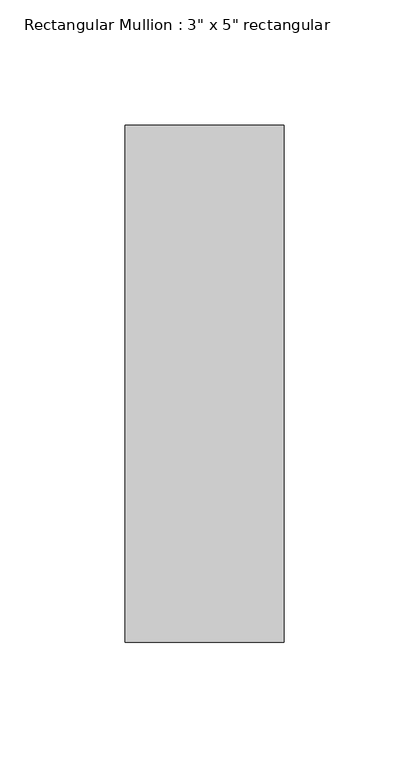
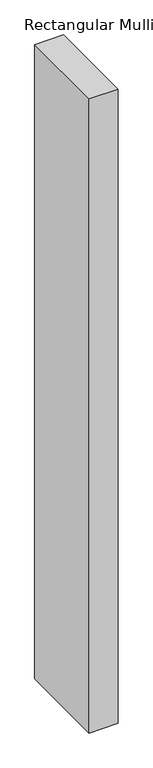
"""IFC4 building model written with IfcOpenShell, lengths in millimetres: member geometry."""

from ifc_helpers import new_model, si_unit, frame, origin, place, context, project, spatial, polyline, outline, extrude, source, transform, mapped, element, save


def member_e53441d9(model_context):
    return source(origin(), model_context, "Body", "SweptSolid", [
        extrude(outline(polyline([(0.0, 90.551), (0.0, -115.951), (-63.5, -115.951), (-63.5, 90.551), (0.0, 90.551)])), frame((0.0, 0.0, -1467.0716573), z_axis=(0.0, 0.0, 1.0), x_axis=(1.0, 0.0, 0.0)), (0.0, 0.0, 1.0), 1467.0716573),
    ])


if __name__ == "__main__":
    model = new_model("IFC4")
    model_context = context("Model", 3, world=origin())
    ifc_project = project(units=[si_unit("LENGTHUNIT", "METRE", prefix="MILLI")], contexts=[model_context])
    site = spatial("IfcSite", under=ifc_project)
    building = spatial("IfcBuilding", under=site)
    placement = place(None, origin())
    member_shape = member_e53441d9(model_context)
    element("IfcMember", 1, ObjectType="Rectangular Mullion : 3\" x 5\" rectangular", at=placement, inside=building, context=model_context, shape_type="MappedRepresentation", body=[
        mapped(member_shape, transform((0.0, 0.0, 0.0), x_axis=(1.0, 0.0, 0.0), y_axis=(0.0, 1.0, 0.0), z_axis=(0.0, 0.0, 1.0))),
    ])
    save(model, "model.ifc")
